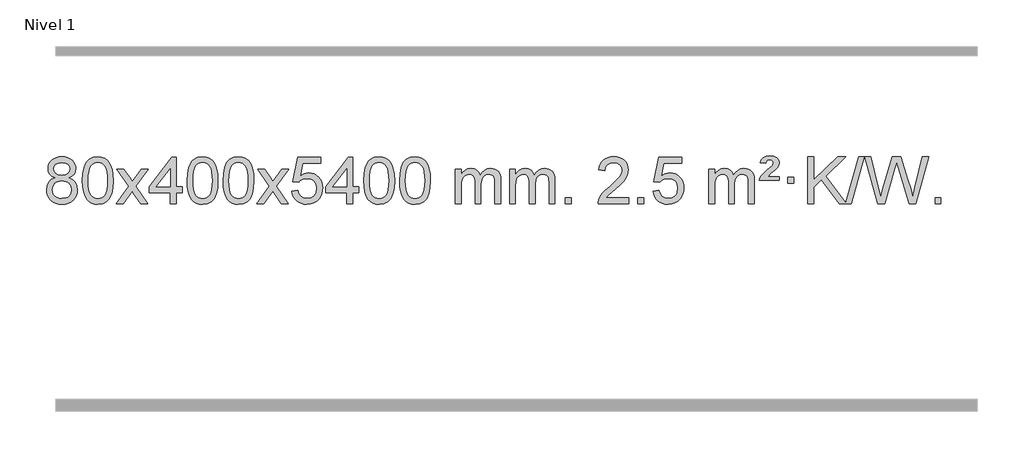
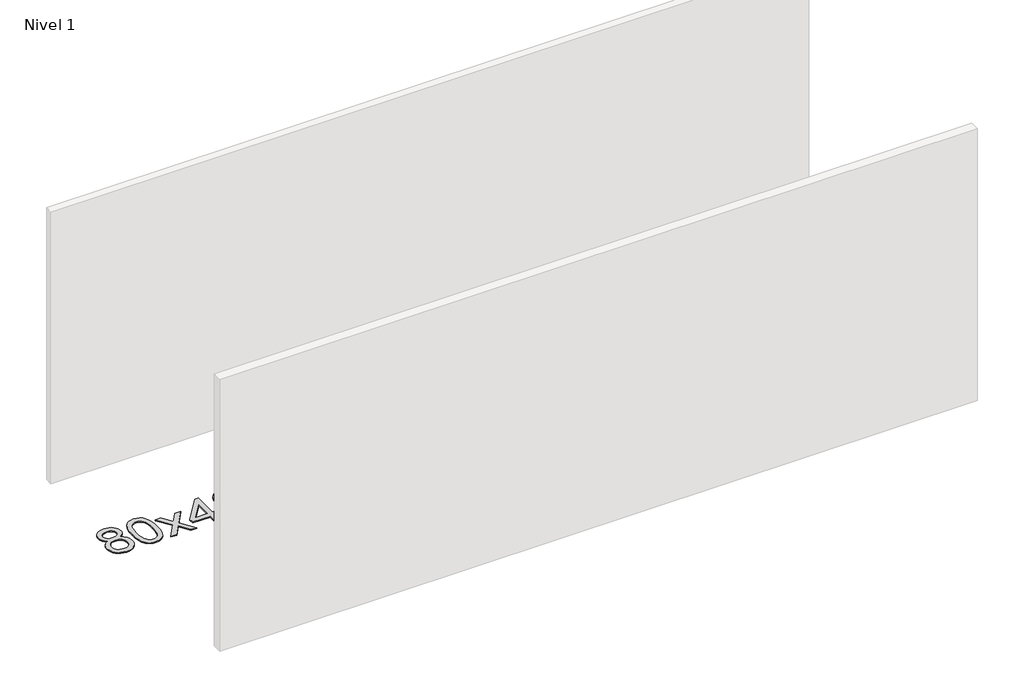
# One storey, part 5 of 18: 1 proxy.
"""IFC4 building model written with IfcOpenShell, lengths in millimetres."""

from ifc_helpers import new_model, si_unit, origin, origin_with_axes, place, context, project, spatial, polyline, outline, extrude, element, save

model = new_model("IFC4")

# Units and contexts
model_context = context("Model", 3, world=origin())
ifc_project = project(units=[si_unit("LENGTHUNIT", "METRE", prefix="MILLI")], contexts=[model_context])

# Site, building, storey
site = spatial("IfcSite", under=ifc_project)
building = spatial("IfcBuilding", under=site)
storey = spatial("IfcBuildingStorey", under=building, Name="Nivel 1", Elevation=0.0)

# Proxy
placement = place(None, origin())
element("IfcBuildingElementProxy", 1, Name="Texto de modelo 1", ObjectType="Texto de modelo 1", at=placement, inside=storey, context=model_context, shape_type="SweptSolid", body=[
    extrude(outline(polyline([(-25682.9857189, -12224.2616447), (-25709.8778927, -12211.0178929), (-25728.7502391, -12193.0652515), (-25739.8970635, -12170.7716026), (-25743.6126717, -12144.5048281), (-25741.5893207, -12124.0199324), (-25735.5192678, -12105.2395565), (-25725.4025129, -12088.1637006), (-25711.2390561, -12072.7923645), (-25693.709479, -12060.088173), (-25673.4943634, -12051.0137504), (-25650.5937092, -12045.5690969), (-25625.0075164, -12043.7542124), (-25599.2986964, -12045.6120165), (-25576.2263639, -12051.1854287), (-25555.7905191, -12060.4744491), (-25537.9911619, -12073.4790776), (-25523.5701876, -12089.1508506), (-25513.2694918, -12106.4413044), (-25507.0890743, -12125.3504389), (-25505.0289351, -12145.8782543), (-25508.6954923, -12171.2989001), (-25519.695164, -12193.2124043), (-25538.1505774, -12211.0546811), (-25564.1843599, -12224.2616447), (-25533.2700096, -12240.1909351), (-25510.7678942, -12263.6495436), (-25497.0458958, -12293.5092989), (-25492.4718963, -12328.6420295), (-25494.740502, -12353.6947933), (-25501.5463189, -12376.6628926), (-25512.8893471, -12397.5463272), (-25528.7695865, -12416.3450971), (-25548.3531714, -12431.88198), (-25570.8062358, -12442.9797536), (-25596.1287798, -12449.6384177), (-25624.3208034, -12451.8579724), (-25652.512827, -12449.6292206), (-25677.835371, -12442.9429654), (-25700.2884354, -12431.7992066), (-25719.8720203, -12416.1979443), (-25735.7522597, -12397.26735), (-25747.0952879, -12376.135595), (-25753.9011048, -12352.8026795), (-25756.1697105, -12327.2686033), (-25751.41177, -12290.7747094), (-25737.1379486, -12260.7555386), (-25714.0840102, -12238.2411605), (-25682.9857189, -12224.2616447)]), holes=[polyline([(-25693.3845166, -12145.9763561), (-25688.9331445, -12167.902123), (-25675.5790281, -12185.413306), (-25653.7145748, -12196.8912243), (-25623.7321922, -12200.717197), (-25594.4487854, -12196.9157497), (-25572.9154259, -12185.5114079), (-25559.6716741, -12168.5888361), (-25555.2570902, -12148.232699), (-25559.8188269, -12127.1040098), (-25573.5040371, -12109.629615), (-25595.3317022, -12097.8941794), (-25624.3208034, -12093.9823675), (-25653.4938456, -12097.8083402), (-25675.2847225, -12109.2862585), (-25688.8595681, -12126.1107284), (-25693.3845166, -12145.9763561)]), polyline([(-25705.9415554, -12325.5027698), (-25703.844628, -12344.7184726), (-25697.5538459, -12363.3210389), (-25685.9410376, -12379.5446349), (-25667.8780316, -12391.623427), (-25646.2465703, -12399.1282197), (-25623.9283959, -12401.6298173), (-25589.7398958, -12396.3691048), (-25575.8462192, -12389.7932141), (-25564.086258, -12380.5869672), (-25548.0466031, -12356.6869002), (-25542.7000514, -12327.0723996), (-25548.2182813, -12296.9551269), (-25564.7729711, -12272.5277625), (-25576.8517633, -12263.0854579), (-25591.0152201, -12256.3409547), (-25625.5961276, -12250.9453521), (-25659.3063811, -12256.2673783), (-25673.043708, -12262.919911), (-25684.7025015, -12272.2334569), (-25700.6317919, -12296.1948375), (-25705.9415554, -12325.5027698)])]), origin_with_axes(), (0.0, 0.0, 1.0), 10.0),
    extrude(outline(polyline([(-25448.5222606, -12247.9041943), (-25444.8311779, -12183.5861588), (-25433.7579299, -12132.2911459), (-25415.4128811, -12093.2343407), (-25403.5548181, -12078.0009605), (-25389.9063961, -12065.6309284), (-25374.4216298, -12056.0598651), (-25357.0545339, -12049.2233914), (-25316.6733536, -12043.7542124), (-25285.722215, -12046.991574), (-25258.0084381, -12056.7036586), (-25234.8318724, -12072.5103217), (-25217.4923677, -12094.0314184), (-25204.3957686, -12121.0830078), (-25193.94792, -12153.4811488), (-25187.1053149, -12194.6226186), (-25184.8244465, -12247.9041943), (-25188.478741, -12311.8543477), (-25199.4416244, -12363.0267333), (-25217.6763087, -12402.1203266), (-25229.5067805, -12417.3996922), (-25243.1460055, -12429.8341036), (-25258.6491659, -12439.4695462), (-25276.071444, -12446.3520052), (-25316.6733536, -12451.8579724), (-25344.3380796, -12449.4667394), (-25368.8635459, -12442.2930405), (-25390.2497526, -12430.3368757), (-25408.4966996, -12413.5982449), (-25426.0078825, -12383.3399508), (-25438.5158704, -12345.6381776), (-25446.0206631, -12300.4929255), (-25448.5222606, -12247.9041943)]), holes=[polyline([(-25398.2941056, -12247.8060924), (-25396.8225776, -12291.4706195), (-25392.4079936, -12326.8148822), (-25385.0503537, -12353.8388804), (-25374.7496579, -12372.5426142), (-25362.290721, -12385.2682656), (-25348.4583579, -12394.3580165), (-25333.2525688, -12399.8118671), (-25316.6733536, -12401.6298173), (-25300.0941383, -12399.8057357), (-25284.8883492, -12394.3334911), (-25271.0559862, -12385.2130833), (-25258.5970493, -12372.4445124), (-25248.2963534, -12353.7101217), (-25240.9387135, -12326.6922549), (-25236.5241295, -12291.3909118), (-25235.0526016, -12247.8060924), (-25236.4750786, -12205.2973278), (-25240.7425098, -12170.5753989), (-25247.854895, -12143.6403055), (-25257.8122343, -12124.4920476), (-25270.0627048, -12111.1440625), (-25284.0544833, -12101.6097875), (-25299.78757, -12095.8892225), (-25317.2619648, -12093.9823675), (-25333.7553409, -12095.6623619), (-25348.7036126, -12100.7023452), (-25362.10678, -12109.1023175), (-25373.9648429, -12120.8622786), (-25384.6088953, -12141.708925), (-25392.2117899, -12169.8151094), (-25396.7735266, -12205.1808319), (-25398.2941056, -12247.8060924)])]), origin_with_axes(), (0.0, 0.0, 1.0), 10.0),
    extrude(outline(polyline([(-25159.7103689, -12445.579453), (-25052.3869282, -12297.2494325), (-25153.4318496, -12150.4890419), (-25093.0011005, -12150.4890419), (-25044.2444734, -12221.122385), (-25021.4848406, -12254.4770192), (-25001.7663657, -12227.2047007), (-24946.2407099, -12150.4890419), (-24885.8099608, -12150.4890419), (-24991.9561791, -12297.2494325), (-24889.7340354, -12445.579453), (-24950.1647845, -12445.579453), (-25011.6746541, -12356.4048574), (-25022.9563686, -12340.1199477), (-25099.2796199, -12445.579453), (-25159.7103689, -12445.579453)])), origin_with_axes(), (0.0, 0.0, 1.0), 10.0),
    extrude(outline(polyline([(-24695.0999345, -12445.579453), (-24695.0999345, -12351.4016622), (-24877.1769967, -12351.4016622), (-24877.1769967, -12301.1735072), (-24682.5428957, -12050.0327318), (-24644.8717794, -12050.0327318), (-24644.8717794, -12301.1735072), (-24594.6436244, -12301.1735072), (-24594.6436244, -12351.4016622), (-24644.8717794, -12351.4016622), (-24644.8717794, -12445.579453), (-24695.0999345, -12445.579453)]), holes=[polyline([(-24695.0999345, -12301.1735072), (-24695.0999345, -12145.9763561), (-24815.3728215, -12301.1735072), (-24695.0999345, -12301.1735072)])]), origin_with_axes(), (0.0, 0.0, 1.0), 10.0),
    extrude(outline(polyline([(-24550.6939887, -12247.9041943), (-24547.002906, -12183.5861588), (-24535.9296579, -12132.2911459), (-24517.5846091, -12093.2343407), (-24505.7265461, -12078.0009605), (-24492.0781241, -12065.6309284), (-24476.5933578, -12056.0598651), (-24459.2262619, -12049.2233914), (-24418.8450816, -12043.7542124), (-24387.8939431, -12046.991574), (-24360.1801661, -12056.7036586), (-24337.0036004, -12072.5103217), (-24319.6640957, -12094.0314184), (-24306.5674967, -12121.0830078), (-24296.119648, -12153.4811488), (-24289.2770429, -12194.6226186), (-24286.9961745, -12247.9041943), (-24290.650469, -12311.8543477), (-24301.6133525, -12363.0267333), (-24319.8480367, -12402.1203266), (-24331.6785085, -12417.3996922), (-24345.3177335, -12429.8341036), (-24360.8208939, -12439.4695462), (-24378.2431721, -12446.3520052), (-24418.8450816, -12451.8579724), (-24446.5098076, -12449.4667394), (-24471.035274, -12442.2930405), (-24492.4214806, -12430.3368757), (-24510.6684276, -12413.5982449), (-24528.1796106, -12383.3399508), (-24540.6875984, -12345.6381776), (-24548.1923911, -12300.4929255), (-24550.6939887, -12247.9041943)]), holes=[polyline([(-24500.4658336, -12247.8060924), (-24498.9943056, -12291.4706195), (-24494.5797217, -12326.8148822), (-24487.2220818, -12353.8388804), (-24476.9213859, -12372.5426142), (-24464.462449, -12385.2682656), (-24450.630086, -12394.3580165), (-24435.4242968, -12399.8118671), (-24418.8450816, -12401.6298173), (-24402.2658663, -12399.8057357), (-24387.0600772, -12394.3334911), (-24373.2277142, -12385.2130833), (-24360.7687773, -12372.4445124), (-24350.4680814, -12353.7101217), (-24343.1104415, -12326.6922549), (-24338.6958576, -12291.3909118), (-24337.2243296, -12247.8060924), (-24338.6468066, -12205.2973278), (-24342.9142378, -12170.5753989), (-24350.026623, -12143.6403055), (-24359.9839624, -12124.4920476), (-24372.2344328, -12111.1440625), (-24386.2262114, -12101.6097875), (-24401.959298, -12095.8892225), (-24419.4336928, -12093.9823675), (-24435.9270689, -12095.6623619), (-24450.8753406, -12100.7023452), (-24464.278508, -12109.1023175), (-24476.136571, -12120.8622786), (-24486.7806234, -12141.708925), (-24494.3835179, -12169.8151094), (-24498.9452547, -12205.1808319), (-24500.4658336, -12247.8060924)])]), origin_with_axes(), (0.0, 0.0, 1.0), 10.0),
    extrude(outline(polyline([(-24243.0465388, -12247.9041943), (-24239.3554561, -12183.5861588), (-24228.2822081, -12132.2911459), (-24209.9371593, -12093.2343407), (-24198.0790963, -12078.0009605), (-24184.4306743, -12065.6309284), (-24168.945908, -12056.0598651), (-24151.5788121, -12049.2233914), (-24111.1976318, -12043.7542124), (-24080.2464932, -12046.991574), (-24052.5327163, -12056.7036586), (-24029.3561506, -12072.5103217), (-24012.0166459, -12094.0314184), (-23998.9200468, -12121.0830078), (-23988.4721982, -12153.4811488), (-23981.6295931, -12194.6226186), (-23979.3487247, -12247.9041943), (-23983.0030192, -12311.8543477), (-23993.9659026, -12363.0267333), (-24012.2005869, -12402.1203266), (-24024.0310587, -12417.3996922), (-24037.6702837, -12429.8341036), (-24053.1734441, -12439.4695462), (-24070.5957222, -12446.3520052), (-24111.1976318, -12451.8579724), (-24138.8623578, -12449.4667394), (-24163.3878241, -12442.2930405), (-24184.7740308, -12430.3368757), (-24203.0209778, -12413.5982449), (-24220.5321607, -12383.3399508), (-24233.0401486, -12345.6381776), (-24240.5449413, -12300.4929255), (-24243.0465388, -12247.9041943)]), holes=[polyline([(-24192.8183838, -12247.8060924), (-24191.3468558, -12291.4706195), (-24186.9322718, -12326.8148822), (-24179.5746319, -12353.8388804), (-24169.2739361, -12372.5426142), (-24156.8149992, -12385.2682656), (-24142.9826361, -12394.3580165), (-24127.776847, -12399.8118671), (-24111.1976318, -12401.6298173), (-24094.6184165, -12399.8057357), (-24079.4126274, -12394.3334911), (-24065.5802644, -12385.2130833), (-24053.1213275, -12372.4445124), (-24042.8206316, -12353.7101217), (-24035.4629917, -12326.6922549), (-24031.0484077, -12291.3909118), (-24029.5768798, -12247.8060924), (-24030.9993568, -12205.2973278), (-24035.266788, -12170.5753989), (-24042.3791732, -12143.6403055), (-24052.3365125, -12124.4920476), (-24064.586983, -12111.1440625), (-24078.5787615, -12101.6097875), (-24094.3118482, -12095.8892225), (-24111.786243, -12093.9823675), (-24128.2796191, -12095.6623619), (-24143.2278908, -12100.7023452), (-24156.6310582, -12109.1023175), (-24168.4891211, -12120.8622786), (-24179.1331735, -12141.708925), (-24186.7360681, -12169.8151094), (-24191.2978048, -12205.1808319), (-24192.8183838, -12247.8060924)])]), origin_with_axes(), (0.0, 0.0, 1.0), 10.0),
    extrude(outline(polyline([(-23954.2346472, -12445.579453), (-23846.9112064, -12297.2494325), (-23947.9561278, -12150.4890419), (-23887.5253787, -12150.4890419), (-23838.7687516, -12221.122385), (-23816.0091188, -12254.4770192), (-23796.2906439, -12227.2047007), (-23740.7649881, -12150.4890419), (-23680.334239, -12150.4890419), (-23786.4804574, -12297.2494325), (-23684.2583136, -12445.579453), (-23744.6890627, -12445.579453), (-23806.1989323, -12356.4048574), (-23817.4806468, -12340.1199477), (-23893.8038981, -12445.579453), (-23954.2346472, -12445.579453)])), origin_with_axes(), (0.0, 0.0, 1.0), 10.0),
    extrude(outline(polyline([(-23652.8657167, -12338.8446235), (-23602.6375616, -12332.5661041), (-23593.4159863, -12362.7201649), (-23577.3272804, -12384.3148381), (-23554.4450203, -12397.3010725), (-23524.8427824, -12401.6298173), (-23505.7129186, -12400.1245668), (-23488.8393978, -12395.6088153), (-23474.2222198, -12388.0825628), (-23461.8613848, -12377.5458094), (-23452.0328042, -12364.519721), (-23445.0123894, -12349.5254641), (-23439.3960576, -12313.6324441), (-23444.6567702, -12279.8363514), (-23451.2326608, -12265.9181493), (-23460.4389078, -12253.9865099), (-23472.3061678, -12244.4154467), (-23486.8650977, -12237.5789729), (-23524.0579675, -12232.1097939), (-23548.4240183, -12234.2925604), (-23568.1547559, -12240.8408599), (-23583.9123681, -12250.8717757), (-23596.3590422, -12263.5023908), (-23646.5871973, -12257.2238715), (-23602.6375616, -12050.0327318), (-23408.0034607, -12050.0327318), (-23408.0034607, -12100.2608869), (-23562.0233894, -12100.2608869), (-23583.5076979, -12210.919791), (-23565.7819171, -12198.2155994), (-23547.6269406, -12189.1411769), (-23529.0427685, -12183.6965234), (-23510.0294007, -12181.8816388), (-23485.5683137, -12184.1318504), (-23463.0999209, -12190.882485), (-23442.6242221, -12202.1335427), (-23424.1412176, -12217.8850234), (-23408.8403923, -12237.1743027), (-23397.9112313, -12259.038756), (-23391.3537348, -12283.4783832), (-23389.1679026, -12310.4931844), (-23391.1360712, -12336.5147042), (-23397.0405773, -12360.7213394), (-23406.8814206, -12383.1130902), (-23420.6586013, -12403.6899565), (-23441.5297732, -12424.7634634), (-23465.8835613, -12439.8159684), (-23493.7199656, -12448.8474714), (-23525.0389861, -12451.8579724), (-23550.9593384, -12449.9235262), (-23574.3719617, -12444.1201877), (-23595.276856, -12434.447957), (-23613.6740215, -12420.9068338), (-23628.9809782, -12404.1712688), (-23640.6152463, -12384.915712), (-23648.5768258, -12363.1401636), (-23652.8657167, -12338.8446235)])), origin_with_axes(), (0.0, 0.0, 1.0), 10.0),
    extrude(outline(polyline([(-23181.9767629, -12445.579453), (-23181.9767629, -12351.4016622), (-23364.053825, -12351.4016622), (-23364.053825, -12301.1735072), (-23169.4197241, -12050.0327318), (-23131.7486078, -12050.0327318), (-23131.7486078, -12301.1735072), (-23081.5204527, -12301.1735072), (-23081.5204527, -12351.4016622), (-23131.7486078, -12351.4016622), (-23131.7486078, -12445.579453), (-23181.9767629, -12445.579453)]), holes=[polyline([(-23181.9767629, -12301.1735072), (-23181.9767629, -12145.9763561), (-23302.2496498, -12301.1735072), (-23181.9767629, -12301.1735072)])]), origin_with_axes(), (0.0, 0.0, 1.0), 10.0),
    extrude(outline(polyline([(-23037.570817, -12247.9041943), (-23033.8797344, -12183.5861588), (-23022.8064863, -12132.2911459), (-23004.4614375, -12093.2343407), (-22992.6033745, -12078.0009605), (-22978.9549525, -12065.6309284), (-22963.4701862, -12056.0598651), (-22946.1030903, -12049.2233914), (-22905.72191, -12043.7542124), (-22874.7707714, -12046.991574), (-22847.0569945, -12056.7036586), (-22823.8804288, -12072.5103217), (-22806.5409241, -12094.0314184), (-22793.444325, -12121.0830078), (-22782.9964764, -12153.4811488), (-22776.1538713, -12194.6226186), (-22773.8730029, -12247.9041943), (-22777.5272974, -12311.8543477), (-22788.4901808, -12363.0267333), (-22806.7248651, -12402.1203266), (-22818.5553369, -12417.3996922), (-22832.1945619, -12429.8341036), (-22847.6977223, -12439.4695462), (-22865.1200004, -12446.3520052), (-22905.72191, -12451.8579724), (-22933.386636, -12449.4667394), (-22957.9121024, -12442.2930405), (-22979.298309, -12430.3368757), (-22997.545256, -12413.5982449), (-23015.0564389, -12383.3399508), (-23027.5644268, -12345.6381776), (-23035.0692195, -12300.4929255), (-23037.570817, -12247.9041943)]), holes=[polyline([(-22987.342662, -12247.8060924), (-22985.871134, -12291.4706195), (-22981.45655, -12326.8148822), (-22974.0989101, -12353.8388804), (-22963.7982143, -12372.5426142), (-22951.3392774, -12385.2682656), (-22937.5069144, -12394.3580165), (-22922.3011252, -12399.8118671), (-22905.72191, -12401.6298173), (-22889.1426947, -12399.8057357), (-22873.9369056, -12394.3334911), (-22860.1045426, -12385.2130833), (-22847.6456057, -12372.4445124), (-22837.3449098, -12353.7101217), (-22829.9872699, -12326.6922549), (-22825.572686, -12291.3909118), (-22824.101158, -12247.8060924), (-22825.523635, -12205.2973278), (-22829.7910662, -12170.5753989), (-22836.9034514, -12143.6403055), (-22846.8607907, -12124.4920476), (-22859.1112612, -12111.1440625), (-22873.1030397, -12101.6097875), (-22888.8361264, -12095.8892225), (-22906.3105212, -12093.9823675), (-22922.8038973, -12095.6623619), (-22937.752169, -12100.7023452), (-22951.1553364, -12109.1023175), (-22963.0133993, -12120.8622786), (-22973.6574517, -12141.708925), (-22981.2603463, -12169.8151094), (-22985.8220831, -12205.1808319), (-22987.342662, -12247.8060924)])]), origin_with_axes(), (0.0, 0.0, 1.0), 10.0),
    extrude(outline(polyline([(-22729.9233672, -12247.9041943), (-22726.2322845, -12183.5861588), (-22715.1590365, -12132.2911459), (-22696.8139876, -12093.2343407), (-22684.9559247, -12078.0009605), (-22671.3075026, -12065.6309284), (-22655.8227363, -12056.0598651), (-22638.4556405, -12049.2233914), (-22598.0744601, -12043.7542124), (-22567.1233216, -12046.991574), (-22539.4095446, -12056.7036586), (-22516.2329789, -12072.5103217), (-22498.8934742, -12094.0314184), (-22485.7968752, -12121.0830078), (-22475.3490265, -12153.4811488), (-22468.5064214, -12194.6226186), (-22466.2255531, -12247.9041943), (-22469.8798475, -12311.8543477), (-22480.842731, -12363.0267333), (-22499.0774152, -12402.1203266), (-22510.9078871, -12417.3996922), (-22524.547112, -12429.8341036), (-22540.0502724, -12439.4695462), (-22557.4725506, -12446.3520052), (-22598.0744601, -12451.8579724), (-22625.7391862, -12449.4667394), (-22650.2646525, -12442.2930405), (-22671.6508592, -12430.3368757), (-22689.8978061, -12413.5982449), (-22707.4089891, -12383.3399508), (-22719.9169769, -12345.6381776), (-22727.4217696, -12300.4929255), (-22729.9233672, -12247.9041943)]), holes=[polyline([(-22679.6952121, -12247.8060924), (-22678.2236842, -12291.4706195), (-22673.8091002, -12326.8148822), (-22666.4514603, -12353.8388804), (-22656.1507644, -12372.5426142), (-22643.6918275, -12385.2682656), (-22629.8594645, -12394.3580165), (-22614.6536754, -12399.8118671), (-22598.0744601, -12401.6298173), (-22581.4952449, -12399.8057357), (-22566.2894558, -12394.3334911), (-22552.4570927, -12385.2130833), (-22539.9981558, -12372.4445124), (-22529.69746, -12353.7101217), (-22522.3398201, -12326.6922549), (-22517.9252361, -12291.3909118), (-22516.4537081, -12247.8060924), (-22517.8761852, -12205.2973278), (-22522.1436163, -12170.5753989), (-22529.2560016, -12143.6403055), (-22539.2133409, -12124.4920476), (-22551.4638113, -12111.1440625), (-22565.4555899, -12101.6097875), (-22581.1886766, -12095.8892225), (-22598.6630713, -12093.9823675), (-22615.1564474, -12095.6623619), (-22630.1047192, -12100.7023452), (-22643.5078865, -12109.1023175), (-22655.3659495, -12120.8622786), (-22666.0100019, -12141.708925), (-22673.6128965, -12169.8151094), (-22678.1746332, -12205.1808319), (-22679.6952121, -12247.8060924)])]), origin_with_axes(), (0.0, 0.0, 1.0), 10.0),
    extrude(outline(polyline([(-22252.755894, -12445.579453), (-22252.755894, -12150.4890419), (-22202.5277389, -12150.4890419), (-22202.5277389, -12199.0494653), (-22187.4200517, -12176.7435536), (-22167.9958823, -12159.2691589), (-22144.9174185, -12147.9751816), (-22118.8468478, -12144.2105225), (-22090.9123416, -12148.048758), (-22068.5205908, -12159.5634645), (-22051.7942228, -12177.9943524), (-22040.8558648, -12202.5811324), (-22022.5476041, -12177.0439906), (-22001.6641696, -12158.803175), (-21978.205561, -12147.8586857), (-21952.1717785, -12144.2105225), (-21932.0639617, -12145.7280358), (-21914.414823, -12150.2805755), (-21899.2243623, -12157.8681416), (-21886.4925796, -12168.4907342), (-21876.4279413, -12182.2709806), (-21869.238914, -12199.3315082), (-21864.9254976, -12219.6723168), (-21863.4876922, -12243.2934066), (-21863.4876922, -12445.579453), (-21913.7158472, -12445.579453), (-21913.7158472, -12264.875817), (-21914.8808069, -12239.8230531), (-21918.3756858, -12222.9372695), (-21924.9239854, -12211.3735121), (-21935.2492067, -12202.2868268), (-21948.5297467, -12196.4007149), (-21963.9440023, -12194.4386776), (-21991.1550072, -12199.4663982), (-22013.3382915, -12214.54956), (-22021.9436645, -12226.1194488), (-22028.0903595, -12240.7182326), (-22033.0077155, -12279.0024856), (-22033.0077155, -12445.579453), (-22083.2358706, -12445.579453), (-22083.2358706, -12259.2840106), (-22086.1421384, -12230.8835206), (-22094.8609417, -12210.6254854), (-22110.2016209, -12198.4853796), (-22132.9735164, -12194.4386776), (-22152.3241093, -12197.1364789), (-22170.1541233, -12205.2298828), (-22184.8694032, -12218.5226856), (-22194.8757934, -12236.8186835), (-22200.6147525, -12262.2025411), (-22202.5277389, -12296.7589232), (-22202.5277389, -12445.579453), (-22252.755894, -12445.579453)])), origin_with_axes(), (0.0, 0.0, 1.0), 10.0),
    extrude(outline(polyline([(-21788.1454596, -12445.579453), (-21788.1454596, -12150.4890419), (-21737.9173045, -12150.4890419), (-21737.9173045, -12199.0494653), (-21722.8096172, -12176.7435536), (-21703.3854479, -12159.2691589), (-21680.306984, -12147.9751816), (-21654.2364133, -12144.2105225), (-21626.3019071, -12148.048758), (-21603.9101564, -12159.5634645), (-21587.1837883, -12177.9943524), (-21576.2454303, -12202.5811324), (-21557.9371697, -12177.0439906), (-21537.0537351, -12158.803175), (-21513.5951266, -12147.8586857), (-21487.561344, -12144.2105225), (-21467.4535273, -12145.7280358), (-21449.8043886, -12150.2805755), (-21434.6139279, -12157.8681416), (-21421.8821452, -12168.4907342), (-21411.8175069, -12182.2709806), (-21404.6284796, -12199.3315082), (-21400.3150632, -12219.6723168), (-21398.8772577, -12243.2934066), (-21398.8772577, -12445.579453), (-21449.1054128, -12445.579453), (-21449.1054128, -12264.875817), (-21450.2703724, -12239.8230531), (-21453.7652514, -12222.9372695), (-21460.3135509, -12211.3735121), (-21470.6387722, -12202.2868268), (-21483.9193123, -12196.4007149), (-21499.3335679, -12194.4386776), (-21526.5445728, -12199.4663982), (-21548.7278571, -12214.54956), (-21557.3332301, -12226.1194488), (-21563.4799251, -12240.7182326), (-21568.3972811, -12279.0024856), (-21568.3972811, -12445.579453), (-21618.6254362, -12445.579453), (-21618.6254362, -12259.2840106), (-21621.5317039, -12230.8835206), (-21630.2505072, -12210.6254854), (-21645.5911864, -12198.4853796), (-21668.3630819, -12194.4386776), (-21687.7136749, -12197.1364789), (-21705.5436889, -12205.2298828), (-21720.2589687, -12218.5226856), (-21730.265359, -12236.8186835), (-21736.0043181, -12262.2025411), (-21737.9173045, -12296.7589232), (-21737.9173045, -12445.579453), (-21788.1454596, -12445.579453)])), origin_with_axes(), (0.0, 0.0, 1.0), 10.0),
    extrude(outline(polyline([(-21310.9779863, -12445.579453), (-21310.9779863, -12395.3512979), (-21260.7498313, -12395.3512979), (-21260.7498313, -12445.579453), (-21310.9779863, -12445.579453)])), origin_with_axes(), (0.0, 0.0, 1.0), 10.0),
    extrude(outline(polyline([(-20764.7467999, -12395.3512979), (-20764.7467999, -12445.579453), (-21028.444614, -12445.579453), (-21027.3409681, -12427.8965918), (-21023.0490115, -12410.9494945), (-21010.6636509, -12383.8856424), (-20992.5393313, -12357.6311307), (-20966.3216078, -12330.1503456), (-20929.6560356, -12299.4076736), (-20875.454755, -12251.2641831), (-20842.9339866, -12215.7267824), (-20826.6736024, -12186.884834), (-20821.2534744, -12158.8277005), (-20826.3670341, -12133.6768347), (-20841.7077133, -12112.7688747), (-20865.2889492, -12098.6789943), (-20895.124179, -12093.9823675), (-20926.4554623, -12098.5686297), (-20950.7969876, -12112.3274163), (-20966.5055488, -12134.1796068), (-20971.9379396, -12163.0460807), (-21022.1660947, -12156.7675613), (-21017.8465469, -12130.838012), (-21009.9892006, -12108.1826125), (-20998.5940558, -12088.8013627), (-20983.6611125, -12072.6942627), (-20965.5337272, -12060.0329907), (-20944.5552564, -12050.989225), (-20920.7257002, -12045.5629655), (-20894.0450585, -12043.7542124), (-20867.1252935, -12045.7653006), (-20843.1669785, -12051.7985654), (-20822.1701137, -12061.8540066), (-20804.1346989, -12075.9316242), (-20789.6493453, -12092.9890861), (-20779.3026642, -12111.9840598), (-20773.0946555, -12132.9165453), (-20771.0253193, -12155.7865427), (-20773.2571367, -12179.8092369), (-20779.952589, -12203.4149983), (-20791.8351775, -12227.4254299), (-20809.6284033, -12252.6621347), (-20837.9921051, -12282.7916701), (-20881.5861216, -12321.4805933), (-20939.3681203, -12369.795762), (-20962.0296512, -12395.3512979), (-20764.7467999, -12395.3512979)])), origin_with_axes(), (0.0, 0.0, 1.0), 10.0),
    extrude(outline(polyline([(-20689.4045673, -12445.579453), (-20689.4045673, -12395.3512979), (-20639.1764122, -12395.3512979), (-20639.1764122, -12445.579453), (-20689.4045673, -12445.579453)])), origin_with_axes(), (0.0, 0.0, 1.0), 10.0),
    extrude(outline(polyline([(-20557.5556602, -12338.8446235), (-20507.3275051, -12332.5661041), (-20498.1059298, -12362.7201649), (-20482.0172239, -12384.3148381), (-20459.1349638, -12397.3010725), (-20429.5327259, -12401.6298173), (-20410.4028621, -12400.1245668), (-20393.5293413, -12395.6088153), (-20378.9121634, -12388.0825628), (-20366.5513283, -12377.5458094), (-20356.7227477, -12364.519721), (-20349.7023329, -12349.5254641), (-20344.0860012, -12313.6324441), (-20349.3467137, -12279.8363514), (-20355.9226043, -12265.9181493), (-20365.1288513, -12253.9865099), (-20376.9961113, -12244.4154467), (-20391.5550413, -12237.5789729), (-20428.747911, -12232.1097939), (-20453.1139618, -12234.2925604), (-20472.8446995, -12240.8408599), (-20488.6023116, -12250.8717757), (-20501.0489858, -12263.5023908), (-20551.2771408, -12257.2238715), (-20507.3275051, -12050.0327318), (-20312.6934042, -12050.0327318), (-20312.6934042, -12100.2608869), (-20466.7133329, -12100.2608869), (-20488.1976414, -12210.919791), (-20470.4718606, -12198.2155994), (-20452.3168841, -12189.1411769), (-20433.732712, -12183.6965234), (-20414.7193442, -12181.8816388), (-20390.2582572, -12184.1318504), (-20367.7898644, -12190.882485), (-20347.3141657, -12202.1335427), (-20328.8311611, -12217.8850234), (-20313.5303358, -12237.1743027), (-20302.6011748, -12259.038756), (-20296.0436783, -12283.4783832), (-20293.8578461, -12310.4931844), (-20295.8260148, -12336.5147042), (-20301.7305208, -12360.7213394), (-20311.5713641, -12383.1130902), (-20325.3485449, -12403.6899565), (-20346.2197167, -12424.7634634), (-20370.5735048, -12439.8159684), (-20398.4099091, -12448.8474714), (-20429.7289296, -12451.8579724), (-20455.6492819, -12449.9235262), (-20479.0619052, -12444.1201877), (-20499.9667996, -12434.447957), (-20518.363965, -12420.9068338), (-20533.6709217, -12404.1712688), (-20545.3051898, -12384.915712), (-20553.2667693, -12363.1401636), (-20557.5556602, -12338.8446235)])), origin_with_axes(), (0.0, 0.0, 1.0), 10.0),
    extrude(outline(polyline([(-20080.388187, -12445.579453), (-20080.388187, -12150.4890419), (-20030.1600319, -12150.4890419), (-20030.1600319, -12199.0494653), (-20015.0523447, -12176.7435536), (-19995.6281753, -12159.2691589), (-19972.5497115, -12147.9751816), (-19946.4791408, -12144.2105225), (-19918.5446346, -12148.048758), (-19896.1528838, -12159.5634645), (-19879.4265158, -12177.9943524), (-19868.4881578, -12202.5811324), (-19850.1798972, -12177.0439906), (-19829.2964626, -12158.803175), (-19805.837854, -12147.8586857), (-19779.8040715, -12144.2105225), (-19759.6962548, -12145.7280358), (-19742.047116, -12150.2805755), (-19726.8566553, -12157.8681416), (-19714.1248726, -12168.4907342), (-19704.0602344, -12182.2709806), (-19696.871207, -12199.3315082), (-19692.5577906, -12219.6723168), (-19691.1199852, -12243.2934066), (-19691.1199852, -12445.579453), (-19741.3481403, -12445.579453), (-19741.3481403, -12264.875817), (-19742.5130999, -12239.8230531), (-19746.0079789, -12222.9372695), (-19752.5562784, -12211.3735121), (-19762.8814997, -12202.2868268), (-19776.1620397, -12196.4007149), (-19791.5762953, -12194.4386776), (-19818.7873002, -12199.4663982), (-19840.9705845, -12214.54956), (-19849.5759576, -12226.1194488), (-19855.7226526, -12240.7182326), (-19860.6400086, -12279.0024856), (-19860.6400086, -12445.579453), (-19910.8681636, -12445.579453), (-19910.8681636, -12259.2840106), (-19913.7744314, -12230.8835206), (-19922.4932347, -12210.6254854), (-19937.8339139, -12198.4853796), (-19960.6058094, -12194.4386776), (-19979.9564023, -12197.1364789), (-19997.7864164, -12205.2298828), (-20012.5016962, -12218.5226856), (-20022.5080864, -12236.8186835), (-20028.2470456, -12262.2025411), (-20030.1600319, -12296.7589232), (-20030.1600319, -12445.579453), (-20080.388187, -12445.579453)])), origin_with_axes(), (0.0, 0.0, 1.0), 10.0),
    extrude(outline(polyline([(-19647.1703495, -12244.6668327), (-19643.3443767, -12228.8479069), (-19635.0057182, -12212.9799302), (-19613.4968842, -12187.8413272), (-19581.5402016, -12160.1030247), (-19537.3943621, -12122.726214), (-19530.2574514, -12111.1992448), (-19527.8784812, -12099.3779701), (-19529.7669421, -12087.2869152), (-19535.4323248, -12077.5012541), (-19544.801053, -12071.026531), (-19557.7995501, -12068.8682899), (-19570.2339616, -12070.4869707), (-19579.0876549, -12075.343013), (-19585.5133271, -12084.8098431), (-19590.663675, -12100.2608869), (-19640.8918301, -12093.9823675), (-19630.051574, -12068.7701881), (-19613.4233078, -12051.2099542), (-19589.6581309, -12040.9092583), (-19557.4071427, -12037.475693), (-19521.6244873, -12041.6082341), (-19496.8782917, -12054.0058573), (-19482.4573175, -12072.3386434), (-19477.6503261, -12094.2766731), (-19481.746079, -12117.1834586), (-19494.0333376, -12138.8149199), (-19514.561153, -12158.6314968), (-19551.0305214, -12186.6886303), (-19576.6351083, -12213.2742358), (-19477.6503261, -12213.2742358), (-19477.6503261, -12244.6668327), (-19647.1703495, -12244.6668327)])), origin_with_axes(), (0.0, 0.0, 1.0), 10.0),
    extrude(outline(polyline([(-19402.3080935, -12269.7809102), (-19402.3080935, -12219.5527552), (-19352.0799384, -12219.5527552), (-19352.0799384, -12269.7809102), (-19402.3080935, -12269.7809102)])), origin_with_axes(), (0.0, 0.0, 1.0), 10.0),
    extrude(outline(polyline([(-18961.4383105, -12445.579453), (-19114.8696279, -12242.9009991), (-19182.559915, -12307.4520265), (-19182.559915, -12445.579453), (-19232.7880701, -12445.579453), (-19232.7880701, -12043.7542124), (-19182.559915, -12043.7542124), (-19182.559915, -12240.4484525), (-18976.5459977, -12043.7542124), (-18906.3050621, -12043.7542124), (-19079.2586508, -12208.9577537), (-18904.6050409, -12439.5349332), (-18793.2917132, -12043.7542124), (-18747.9686514, -12043.7542124), (-18860.9820003, -12445.579453), (-18900.0265428, -12445.579453), (-18906.3050621, -12445.579453), (-18961.4383105, -12445.579453)])), origin_with_axes(), (0.0, 0.0, 1.0), 10.0),
    extrude(outline(polyline([(-18633.4837745, -12445.579453), (-18743.0635581, -12043.7542124), (-18691.2657732, -12043.7542124), (-18627.6957645, -12307.844434), (-18608.0753914, -12389.3670841), (-18587.0815922, -12317.2622131), (-18507.4228775, -12043.7542124), (-18432.7673579, -12043.7542124), (-18374.8872574, -12242.0180823), (-18350.0920109, -12315.5944814), (-18331.8205385, -12389.3670841), (-18312.7887766, -12310.1988788), (-18248.6301566, -12043.7542124), (-18196.8323717, -12043.7542124), (-18306.5102572, -12445.579453), (-18360.1719776, -12445.579453), (-18456.5080094, -12135.5775584), (-18469.9479649, -12092.3146358), (-18485.0556522, -12144.4067263), (-18572.8568217, -12445.579453), (-18633.4837745, -12445.579453)])), origin_with_axes(), (0.0, 0.0, 1.0), 10.0),
    extrude(outline(polyline([(-18140.3256972, -12445.579453), (-18140.3256972, -12395.3512979), (-18090.0975422, -12395.3512979), (-18090.0975422, -12445.579453), (-18140.3256972, -12445.579453)])), origin_with_axes(), (0.0, 0.0, 1.0), 10.0),
])

save(model, "model.ifc")
